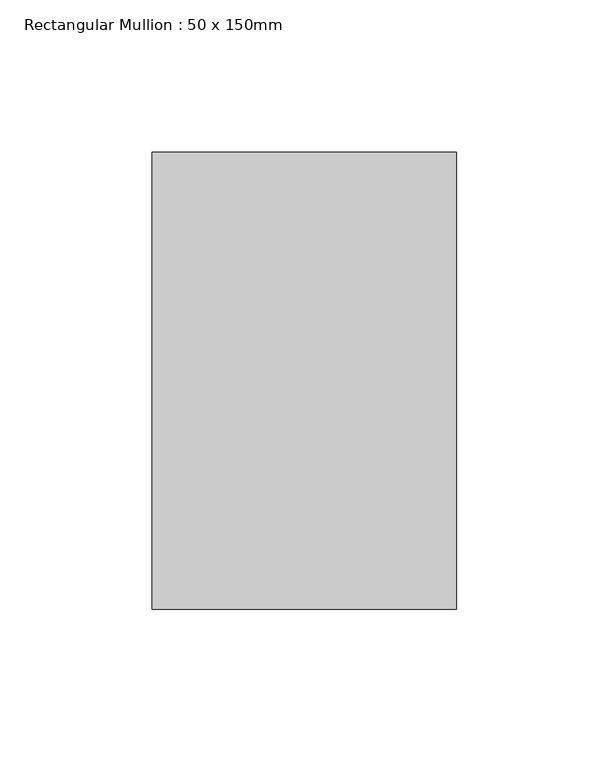
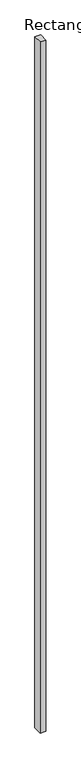
"""IFC4 building model written with IfcOpenShell, lengths in millimetres: member geometry, Rectangular Mullion : 50 x 150mm."""

from ifc_helpers import new_model, si_unit, frame, origin, place, context, project, spatial, polyline, outline, extrude, source, transform, mapped, element, save


def rectangular_mullion_50_x_150mm_e6716d73(model_context):
    return source(origin(), model_context, "Body", "SweptSolid", [
        extrude(outline(polyline([(50.0, 75.0), (50.0, -75.0), (-50.0, -75.0), (-50.0, 75.0), (50.0, 75.0)])), frame((0.0, 0.0, -12305.6429454), z_axis=(0.0, 0.0, 1.0), x_axis=(1.0, 0.0, 0.0)), (0.0, 0.0, 1.0), 12305.6429454),
    ])


if __name__ == "__main__":
    model = new_model("IFC4")
    model_context = context("Model", 3, world=origin())
    ifc_project = project(units=[si_unit("LENGTHUNIT", "METRE", prefix="MILLI")], contexts=[model_context])
    site = spatial("IfcSite", under=ifc_project)
    building = spatial("IfcBuilding", under=site)
    placement = place(None, origin())
    rectangular_mullion_50_x_150mm_shape = rectangular_mullion_50_x_150mm_e6716d73(model_context)
    element("IfcMember", 1, ObjectType="Rectangular Mullion : 50 x 150mm", at=placement, inside=building, context=model_context, shape_type="MappedRepresentation", body=[
        mapped(rectangular_mullion_50_x_150mm_shape, transform((0.0, 0.0, 0.0), x_axis=(1.0, 0.0, 0.0), y_axis=(0.0, 1.0, 0.0), z_axis=(0.0, 0.0, 1.0))),
    ])
    save(model, "model.ifc")
